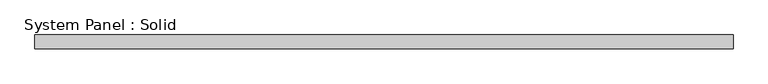
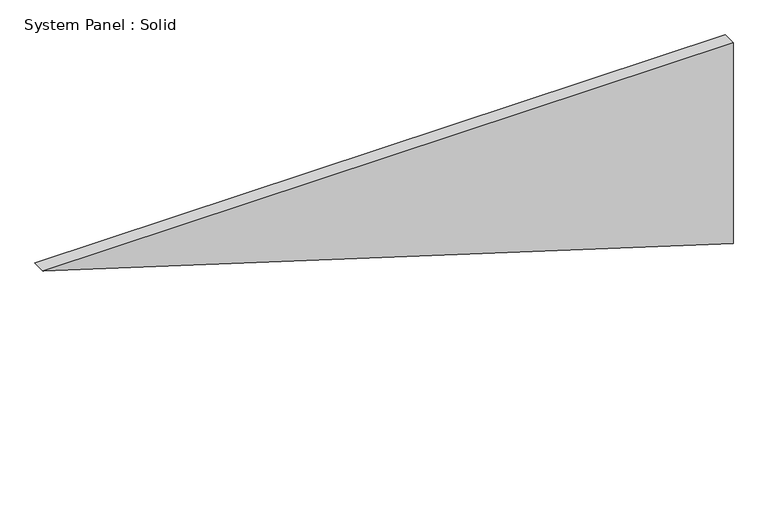
"""IFC4 building model written with IfcOpenShell, lengths in millimetres: plate geometry, System Panel : Solid."""

from ifc_helpers import new_model, si_unit, frame, origin, place, context, project, spatial, polyline, outline, extrude, source, transform, mapped, element, save


def system_panel_solid_0754d2c2(model_context):
    return source(origin(), model_context, "Body", "SweptSolid", [
        extrude(outline(polyline([(923.4646629, -1500.0000002), (0.0, 1500.0000002), (923.4646629, 1500.0000002), (923.4646629, -1500.0000002)])), frame((0.0, -10.5, 0.0), z_axis=(0.0, 1.0, 0.0), x_axis=(0.0, 0.0, 1.0)), (0.0, 0.0, 1.0), 60.0),
    ])


if __name__ == "__main__":
    model = new_model("IFC4")
    model_context = context("Model", 3, world=origin())
    ifc_project = project(units=[si_unit("LENGTHUNIT", "METRE", prefix="MILLI")], contexts=[model_context])
    site = spatial("IfcSite", under=ifc_project)
    building = spatial("IfcBuilding", under=site)
    placement = place(None, origin())
    system_panel_solid_shape = system_panel_solid_0754d2c2(model_context)
    element("IfcPlate", 1, ObjectType="System Panel : Solid", at=placement, inside=building, context=model_context, shape_type="MappedRepresentation", body=[
        mapped(system_panel_solid_shape, transform((0.0, 0.0, 0.0), x_axis=(1.0, 0.0, 0.0), y_axis=(0.0, 1.0, 0.0), z_axis=(0.0, 0.0, 1.0))),
    ])
    save(model, "model.ifc")
